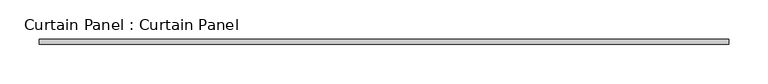
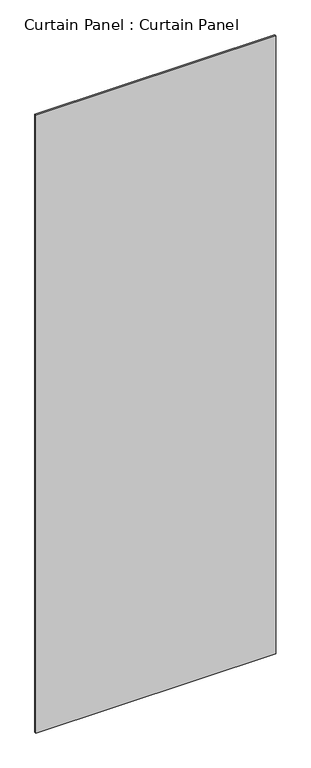
"""IFC4 building model written with IfcOpenShell, lengths in millimetres: plate geometry, Curtain Panel : Curtain Panel."""

from ifc_helpers import new_model, si_unit, frame, origin, place, context, project, spatial, polyline, outline, extrude, source, transform, mapped, element, save


def curtain_panel_curtain_panel_c74eff1d(model_context):
    return source(origin(), model_context, "Body", "SweptSolid", [
        extrude(outline(polyline([(-29452.9408501, -1994.9269283), (-30330.8634439, -1994.9269283), (-30330.8634439, -1988.5769283), (-29452.9408501, -1988.5769283), (-29452.9408501, -1994.9269283)])), frame((0.0, 0.0, 23.7744), z_axis=(0.0, 0.0, 1.0), x_axis=(1.0, 0.0, 0.0)), (0.0, 0.0, 1.0), 2390.8512),
    ])


if __name__ == "__main__":
    model = new_model("IFC4")
    model_context = context("Model", 3, world=origin())
    ifc_project = project(units=[si_unit("LENGTHUNIT", "METRE", prefix="MILLI")], contexts=[model_context])
    site = spatial("IfcSite", under=ifc_project)
    building = spatial("IfcBuilding", under=site)
    placement = place(None, origin())
    curtain_panel_curtain_panel_shape = curtain_panel_curtain_panel_c74eff1d(model_context)
    element("IfcPlate", 1, ObjectType="Curtain Panel : Curtain Panel", at=placement, inside=building, context=model_context, shape_type="MappedRepresentation", body=[
        mapped(curtain_panel_curtain_panel_shape, transform((0.0, 0.0, 0.0), x_axis=(1.0, 0.0, 0.0), y_axis=(0.0, 1.0, 0.0), z_axis=(0.0, 0.0, 1.0))),
    ])
    save(model, "model.ifc")
